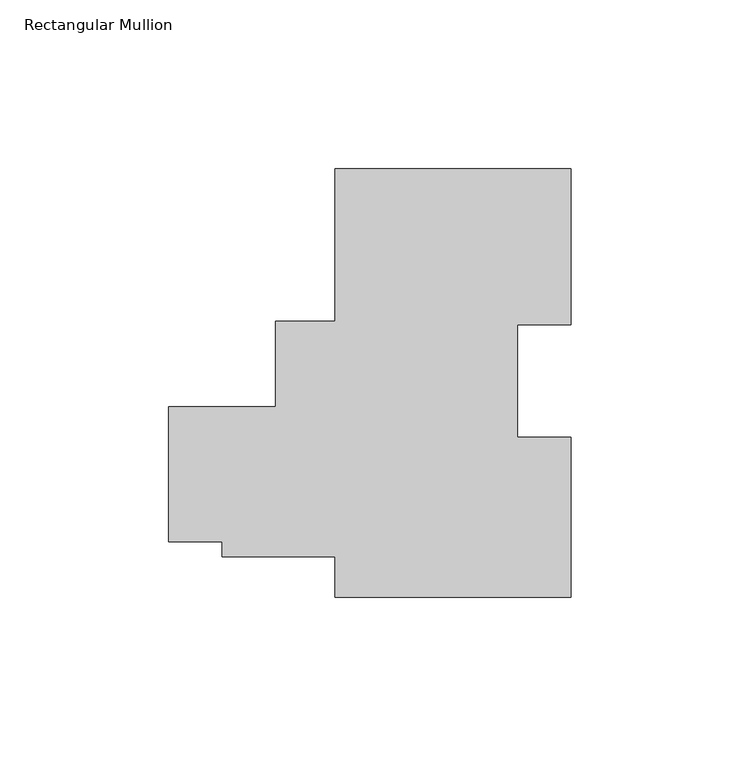
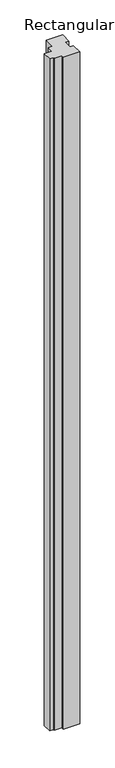
"""IFC4 building model written with IfcOpenShell, lengths in millimetres: member geometry, Rectangular Mullion."""

from ifc_helpers import new_model, si_unit, frame, origin, place, context, project, spatial, polyline, outline, extrude, source, transform, mapped, element, save


def rectangular_mullion_e81d3d77(model_context):
    return source(origin(), model_context, "Body", "SweptSolid", [
        extrude(outline(polyline([(0.0, 63.5), (0.0, 17.2946769), (-15.875, 17.2946769), (-15.875, -16.0413198), (-6e-07, -16.0413198), (-6e-07, -63.5), (-69.9423164, -63.5), (-69.9423164, -51.5156819), (-103.3839122, -51.5156819), (-103.3839122, -47.0706819), (-119.2580027, -47.0706819), (-119.2580027, -7.0656819), (-87.5098327, -7.0656819), (-87.5098327, 18.3262956), (-69.9423164, 18.3262956), (-69.9423164, 63.5), (0.0, 63.5)])), frame((0.0, 0.0, -3048.0), z_axis=(0.0, 0.0, 1.0), x_axis=(1.0, 0.0, 0.0)), (0.0, 0.0, 1.0), 3048.0),
    ])


if __name__ == "__main__":
    model = new_model("IFC4")
    model_context = context("Model", 3, world=origin())
    ifc_project = project(units=[si_unit("LENGTHUNIT", "METRE", prefix="MILLI")], contexts=[model_context])
    site = spatial("IfcSite", under=ifc_project)
    building = spatial("IfcBuilding", under=site)
    placement = place(None, origin())
    rectangular_mullion_shape = rectangular_mullion_e81d3d77(model_context)
    element("IfcMember", 1, ObjectType="Rectangular Mullion", at=placement, inside=building, context=model_context, shape_type="MappedRepresentation", body=[
        mapped(rectangular_mullion_shape, transform((0.0, 0.0, 0.0), x_axis=(1.0, 0.0, 0.0), y_axis=(0.0, 1.0, 0.0), z_axis=(0.0, 0.0, 1.0))),
    ])
    save(model, "model.ifc")
